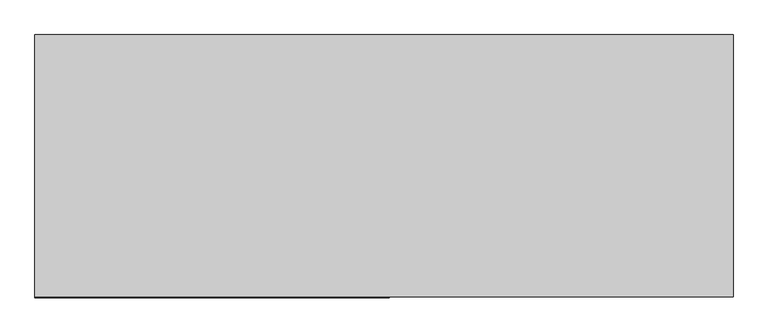
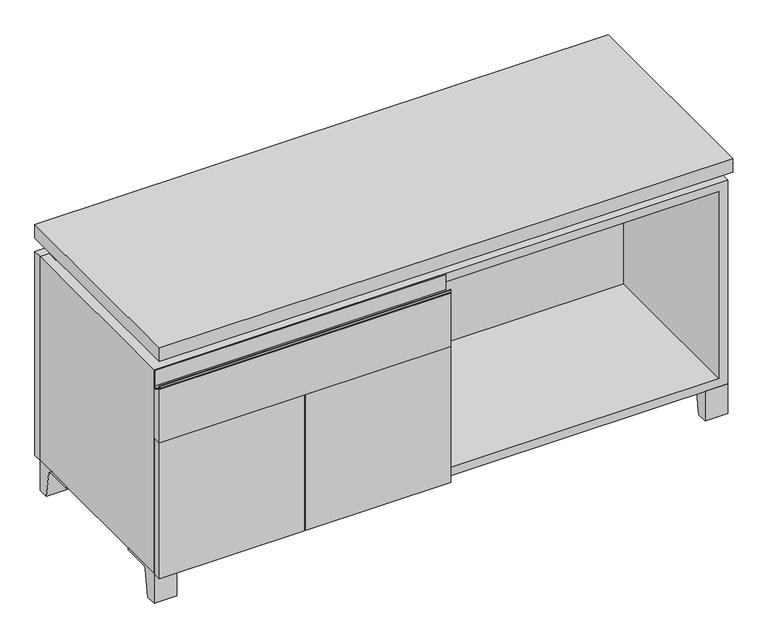
"""IFC4 building model written with IfcOpenShell, lengths in millimetres: furniture geometry."""

from ifc_helpers import new_model, si_unit, point, frame, frame_2d, origin, place, context, project, spatial, polyline, circle_curve, trimmed, segment, composite_curve, outline, extrude, faceted_brep, source, transform, mapped, element, save


def furniture_3d3cb8ac(model_context):
    return source(origin(), model_context, "Body", "SolidModel", [
        extrude(outline(composite_curve([segment(polyline([(-146.05, 481.0125), (-165.1, 492.125)]), True, "CONTINUOUS"), segment(trimmed(circle_curve(frame_2d((-163.9001571, 494.1818735)), 2.38125), [point((-165.1, 492.125))], [point((-166.2814071, 494.1818735))], False, "CARTESIAN"), True, "CONTINUOUS"), segment(polyline([(-166.2814071, 494.1818735), (-166.2814071, 499.26875)]), True, "CONTINUOUS"), segment(trimmed(circle_curve(frame_2d((-165.4876571, 499.26875)), 0.79375), [point((-166.2814071, 499.26875))], [point((-164.6939071, 499.26875))], False, "CARTESIAN"), True, "CONTINUOUS"), segment(polyline([(-164.6939071, 499.26875), (-164.6939071, 494.1818735)]), True, "CONTINUOUS"), segment(trimmed(circle_curve(frame_2d((-163.9001571, 494.1818735)), 0.79375), [point((-164.6939071, 494.1818735))], [point((-164.3001047, 493.496249))], True, "CARTESIAN"), True, "CONTINUOUS"), segment(polyline([(-164.3001047, 493.496249), (-152.4122905, 486.5616907)]), True, "CONTINUOUS"), segment(trimmed(circle_curve(frame_2d((-150.8125, 489.3041887)), 3.175), [point((-152.4122905, 486.5616907))], [point((-147.6375, 489.3041887))], True, "CARTESIAN"), True, "CONTINUOUS"), segment(polyline([(-147.6375, 489.3041887), (-147.6375, 523.08125)]), True, "CONTINUOUS"), segment(trimmed(circle_curve(frame_2d((-146.84375, 523.08125)), 0.79375), [point((-147.6375, 523.08125))], [point((-146.05, 523.08125))], False, "CARTESIAN"), True, "CONTINUOUS"), segment(polyline([(-146.05, 523.08125), (-146.05, 481.0125)]), True, "CONTINUOUS")], self_intersect=False)), frame((-607.9986094, 0.0, 0.0), z_axis=(1.0, 0.0, 0.0), x_axis=(0.0, 1.0, 0.0)), (0.0, 0.0, 1.0), 617.5375),
        extrude(outline(polyline([(-146.05, 371.475), (-165.1, 371.475), (-165.1, 492.125), (-146.05, 481.0125), (-146.05, 371.475)])), frame((-607.9986094, 0.0, 0.0), z_axis=(1.0, 0.0, 0.0), x_axis=(0.0, 1.0, 0.0)), (0.0, 0.0, 1.0), 617.5375),
        extrude(outline(composite_curve([segment(polyline([(44.9791531, 0.0), (22.225, 0.0), (22.225, 66.675), (117.475, 66.675), (117.475, 61.8963321), (60.6744655, 61.8963321)]), True, "CONTINUOUS"), segment(trimmed(circle_curve(frame_2d((60.6744655, 55.5463321)), 6.35), [point((60.6744655, 61.8963321))], [point((54.4108641, 56.5902656))], True, "CARTESIAN"), True, "CONTINUOUS"), segment(polyline([(54.4108641, 56.5902656), (44.9791531, 0.0)]), True, "CONTINUOUS")], self_intersect=False)), frame((-23.7986094, 0.0, 0.0), z_axis=(1.0, 0.0, 0.0), x_axis=(0.0, 1.0, 0.0)), (0.0, 0.0, 1.0), 47.625),
        extrude(outline(composite_curve([segment(polyline([(-123.2958469, 0.0), (-146.05, 0.0), (-146.05, 66.675), (-50.8, 66.675), (-50.8, 61.8963321), (-107.6005345, 61.8963321)]), True, "CONTINUOUS"), segment(trimmed(circle_curve(frame_2d((-107.6005345, 55.5463321)), 6.35), [point((-107.6005345, 61.8963321))], [point((-113.8641359, 56.5902656))], True, "CARTESIAN"), True, "CONTINUOUS"), segment(polyline([(-113.8641359, 56.5902656), (-123.2958469, 0.0)]), True, "CONTINUOUS")], self_intersect=False)), frame((560.4013906, 0.0, 0.0), z_axis=(1.0, 0.0, 0.0), x_axis=(0.0, 1.0, 0.0)), (0.0, 0.0, 1.0), 47.625),
        extrude(outline(composite_curve([segment(polyline([(250.2958469, 0.0), (240.8641359, 56.5902656)]), True, "CONTINUOUS"), segment(trimmed(circle_curve(frame_2d((234.6005345, 55.5463321)), 6.35), [point((240.8641359, 56.5902656))], [point((234.6005345, 61.8963321))], True, "CARTESIAN"), True, "CONTINUOUS"), segment(polyline([(234.6005345, 61.8963321), (177.8, 61.8963321), (177.8, 66.675), (273.05, 66.675), (273.05, 0.0), (250.2958469, 0.0)]), True, "CONTINUOUS")], self_intersect=False)), frame((560.4013906, 0.0, 0.0), z_axis=(1.0, 0.0, 0.0), x_axis=(0.0, 1.0, 0.0)), (0.0, 0.0, 1.0), 47.625),
        extrude(outline(composite_curve([segment(polyline([(-123.2958469, 0.0), (-146.05, 0.0), (-146.05, 66.675), (-50.8, 66.675), (-50.8, 61.8963321), (-107.6005345, 61.8963321)]), True, "CONTINUOUS"), segment(trimmed(circle_curve(frame_2d((-107.6005345, 55.5463321)), 6.35), [point((-107.6005345, 61.8963321))], [point((-113.8641359, 56.5902656))], True, "CARTESIAN"), True, "CONTINUOUS"), segment(polyline([(-113.8641359, 56.5902656), (-123.2958469, 0.0)]), True, "CONTINUOUS")], self_intersect=False)), frame((-607.9986094, 0.0, 0.0), z_axis=(1.0, 0.0, 0.0), x_axis=(0.0, 1.0, 0.0)), (0.0, 0.0, 1.0), 47.625),
        extrude(outline(composite_curve([segment(polyline([(250.2958469, 0.0), (240.8641359, 56.5902656)]), True, "CONTINUOUS"), segment(trimmed(circle_curve(frame_2d((234.6005345, 55.5463321)), 6.35), [point((240.8641359, 56.5902656))], [point((234.6005345, 61.8963321))], True, "CARTESIAN"), True, "CONTINUOUS"), segment(polyline([(234.6005345, 61.8963321), (177.8, 61.8963321), (177.8, 66.675), (273.05, 66.675), (273.05, 0.0), (250.2958469, 0.0)]), True, "CONTINUOUS")], self_intersect=False)), frame((-607.9986094, 0.0, 0.0), z_axis=(1.0, 0.0, 0.0), x_axis=(0.0, 1.0, 0.0)), (0.0, 0.0, 1.0), 47.625),
        faceted_brep([(-607.9986094, -146.05, 66.675), (608.0125, -146.05, 66.675), (608.0125, -146.05, 523.875), (-607.9986094, -146.05, 523.875), (-588.9486094, -146.05, 85.725), (-588.9486094, -146.05, 504.825), (588.9694453, -146.05, 504.825), (588.9486094, -146.05, 85.725), (-607.9986094, 273.05, 66.675), (-607.9986094, 273.05, 523.875), (-588.9486094, 273.05, 523.875), (-588.9486094, 273.05, 85.725), (588.9486094, 273.05, 85.725), (588.9486094, 273.05, 523.875), (608.0125, 273.05, 523.875), (608.0125, 273.05, 66.675), (588.9486094, 247.65, 523.875), (-588.9416641, 247.65, 523.875), (-588.9486094, 247.65, 504.825), (588.9486094, 247.65, 504.825)], [[[0, 1, 2, 3], [4, 5, 6, 7]], [[8, 9, 10, 11, 12, 13, 14, 15]], [[1, 0, 8, 15]], [[2, 1, 15, 14]], [[3, 2, 14, 13, 16, 17, 10, 9]], [[0, 3, 9, 8]], [[11, 10, 17, 18, 5, 4]], [[13, 12, 7, 6, 19, 16]], [[4, 7, 12, 11]], [[6, 5, 18, 19]], [[17, 16, 19, 18]]]),
        extrude(outline(polyline([(608.0263906, -165.1), (-607.9986094, -165.1), (-607.9986094, 292.1), (608.0263906, 292.1), (608.0263906, -165.1)])), frame((0.0, 0.0, 554.0375), z_axis=(0.0, 0.0, 1.0), x_axis=(1.0, 0.0, 0.0)), (0.0, 0.0, 1.0), 30.1625),
        faceted_brep([(7.9513906, -69.85, 554.0375), (7.9513906, -69.85, 523.875), (7.9513906, 53.975, 523.875), (7.9513906, 53.975, 554.0375), (7.9513906, 196.85, 523.875), (7.9513906, 196.85, 554.0375), (7.9513906, 73.025, 554.0375), (7.9513906, 73.025, 523.875), (-7.9236094, 196.85, 554.0375), (-7.9236094, 196.85, 523.875), (-7.9236094, 73.025, 523.875), (-7.9236094, 73.025, 554.0375), (-7.9236094, -69.85, 523.875), (-7.9236094, -69.85, 554.0375), (-7.9236094, 53.975, 554.0375), (-7.9236094, 53.975, 523.875), (-566.6958281, 73.025, 554.0375), (-566.7166641, 247.65, 554.0375), (-582.5916641, 247.65, 554.0375), (-582.5916641, -120.65, 554.0375), (-566.7166641, -120.65, 554.0375), (-566.7166641, 53.975, 554.0375), (566.7236094, 53.975, 554.0375), (566.7236094, -120.65, 554.0375), (582.5986094, -120.65, 554.0375), (582.5986094, 247.65, 554.0375), (566.7236094, 247.65, 554.0375), (566.7236094, 73.025, 554.0375), (-566.6958281, 53.975, 523.875), (-566.7166641, -120.65, 523.875), (-582.5916641, -120.65, 523.875), (-582.5916641, 247.65, 523.875), (-566.7166641, 247.65, 523.875), (-566.7166641, 73.025, 523.875), (566.7236094, 73.025, 523.875), (566.7236094, 247.65, 523.875), (582.5986094, 247.65, 523.875), (582.5986094, -120.65, 523.875), (566.7236094, -120.65, 523.875), (566.7236094, 53.975, 523.875)], [[[0, 1, 2, 3]], [[4, 5, 6, 7]], [[8, 9, 10, 11]], [[12, 13, 14, 15]], [[5, 8, 11, 16, 17, 18, 19, 20, 21, 14, 13, 0, 3, 22, 23, 24, 25, 26, 27, 6]], [[1, 12, 15, 28, 29, 30, 31, 32, 33, 10, 9, 4, 7, 34, 35, 36, 37, 38, 39, 2]], [[5, 4, 9, 8]], [[1, 0, 13, 12]], [[6, 27, 34, 7]], [[22, 3, 2, 39]], [[20, 29, 28, 21]], [[32, 17, 16, 33]], [[18, 31, 30, 19]], [[29, 20, 19, 30]], [[17, 32, 31, 18]], [[26, 35, 34, 27]], [[38, 23, 22, 39]], [[25, 24, 37, 36]], [[23, 38, 37, 24]], [[35, 26, 25, 36]], [[16, 11, 10, 33]], [[14, 21, 28, 15]]]),
        extrude(outline(polyline([(9.5388906, 203.2), (9.5388906, -146.05), (-9.5111094, -146.05), (-9.5111094, 203.2), (9.5388906, 203.2)])), frame((0.0, 0.0, 85.725), z_axis=(0.0, 0.0, 1.0), x_axis=(1.0, 0.0, 0.0)), (0.0, 0.0, 1.0), 419.1),
        extrude(outline(polyline([(608.0263906, 273.05), (-607.9986094, 273.05), (-607.9986094, 292.1), (608.0263906, 292.1), (608.0263906, 273.05)])), frame((0.0, 0.0, 66.675), z_axis=(0.0, 0.0, 1.0), x_axis=(1.0, 0.0, 0.0)), (0.0, 0.0, 1.0), 457.2),
        extrude(outline(polyline([(-588.9416641, 203.2), (-588.9416641, 209.55), (588.9694453, 209.55), (588.9694453, 203.2), (-588.9416641, 203.2)])), frame((0.0, 0.0, 85.725), z_axis=(0.0, 0.0, 1.0), x_axis=(1.0, 0.0, 0.0)), (0.0, 0.0, 1.0), 419.1),
        extrude(outline(polyline([(9.5388906, -165.1), (-297.6423594, -165.1), (-297.6423594, -146.05), (9.5388906, -146.05), (9.5388906, -165.1)])), frame((0.0, 0.0, 66.675), z_axis=(0.0, 0.0, 1.0), x_axis=(1.0, 0.0, 0.0)), (0.0, 0.0, 1.0), 304.8),
        extrude(outline(polyline([(-300.8173594, -165.1), (-607.9986094, -165.1), (-607.9986094, -146.05), (-300.8173594, -146.05), (-300.8173594, -165.1)])), frame((0.0, 0.0, 66.675), z_axis=(0.0, 0.0, 1.0), x_axis=(1.0, 0.0, 0.0)), (0.0, 0.0, 1.0), 304.8),
    ])


if __name__ == "__main__":
    model = new_model("IFC4")
    model_context = context("Model", 3, world=origin())
    ifc_project = project(units=[si_unit("LENGTHUNIT", "METRE", prefix="MILLI")], contexts=[model_context])
    site = spatial("IfcSite", under=ifc_project)
    building = spatial("IfcBuilding", under=site)
    placement = place(None, origin())
    furniture_shape = furniture_3d3cb8ac(model_context)
    element("IfcFurniture", 1, at=placement, inside=building, context=model_context, shape_type="MappedRepresentation", body=[
        mapped(furniture_shape, transform((0.0, 0.0, 0.0), x_axis=(1.0, 0.0, 0.0), y_axis=(0.0, 1.0, 0.0), z_axis=(0.0, 0.0, 1.0))),
    ])
    save(model, "model.ifc")
